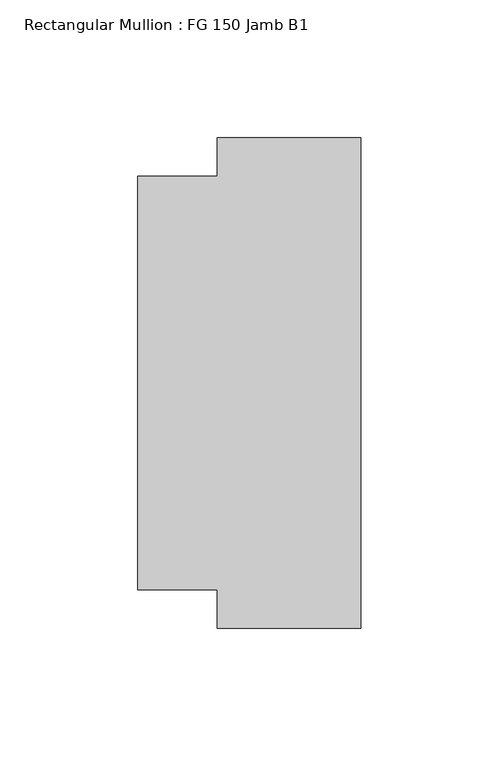
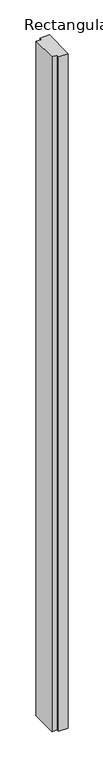
"""IFC4 building model written with IfcOpenShell, lengths in millimetres: member geometry, Rectangular Mullion : FG 150 Jamb B1."""

from ifc_helpers import new_model, si_unit, frame, origin, place, context, project, spatial, polyline, outline, extrude, source, transform, mapped, element, save


def rectangular_mullion_fg_150_jamb_b1_054b7167(model_context):
    return source(origin(), model_context, "Body", "SweptSolid", [
        extrude(outline(polyline([(0.0, 89.0001604), (0.0, -89.0053119), (-52.0, -89.0053119), (-52.0, -75.0), (-80.9079314, -75.0), (-80.9079314, 75.0), (-52.0, 75.0), (-52.0, 89.0001604), (0.0, 89.0001604)])), frame((0.0, 0.0, -3908.0), z_axis=(0.0, 0.0, 1.0), x_axis=(1.0, 0.0, 0.0)), (0.0, 0.0, 1.0), 3908.0),
    ])


if __name__ == "__main__":
    model = new_model("IFC4")
    model_context = context("Model", 3, world=origin())
    ifc_project = project(units=[si_unit("LENGTHUNIT", "METRE", prefix="MILLI")], contexts=[model_context])
    site = spatial("IfcSite", under=ifc_project)
    building = spatial("IfcBuilding", under=site)
    placement = place(None, origin())
    rectangular_mullion_fg_150_jamb_b1_shape = rectangular_mullion_fg_150_jamb_b1_054b7167(model_context)
    element("IfcMember", 1, ObjectType="Rectangular Mullion : FG 150 Jamb B1", at=placement, inside=building, context=model_context, shape_type="MappedRepresentation", body=[
        mapped(rectangular_mullion_fg_150_jamb_b1_shape, transform((0.0, 0.0, 0.0), x_axis=(1.0, 0.0, 0.0), y_axis=(0.0, 1.0, 0.0), z_axis=(0.0, 0.0, 1.0))),
    ])
    save(model, "model.ifc")
